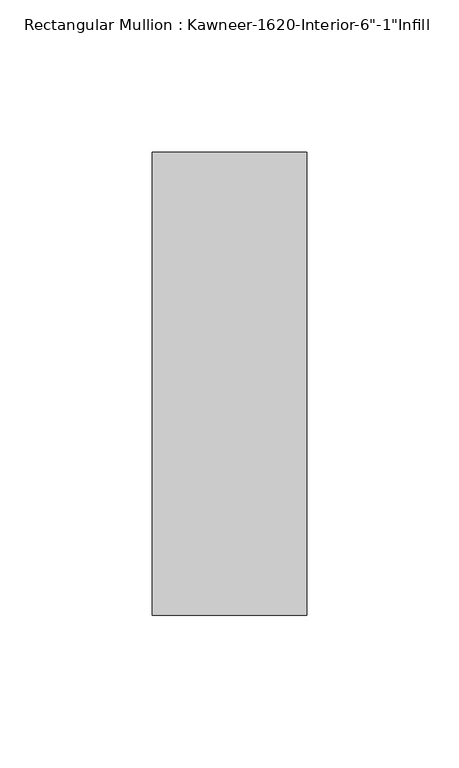
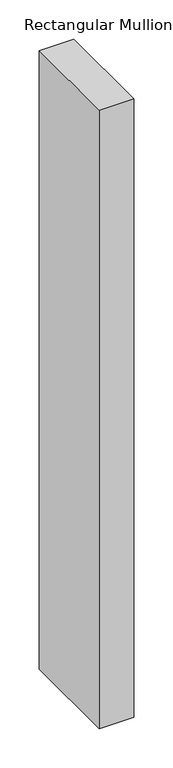
"""IFC4 building model written with IfcOpenShell, lengths in millimetres: member geometry."""

from ifc_helpers import new_model, si_unit, frame, origin, place, context, project, spatial, polyline, outline, extrude, source, transform, mapped, element, save


def member_896b0db0(model_context):
    return source(origin(), model_context, "Body", "SweptSolid", [
        extrude(outline(polyline([(25.4, -114.3), (-25.4, -114.3), (-25.4, 38.1), (25.4, 38.1), (25.4, -114.3)])), frame((0.0, 0.0, -961.1204663), z_axis=(0.0, 0.0, 1.0), x_axis=(1.0, 0.0, 0.0)), (0.0, 0.0, 1.0), 961.1204663),
    ])


if __name__ == "__main__":
    model = new_model("IFC4")
    model_context = context("Model", 3, world=origin())
    ifc_project = project(units=[si_unit("LENGTHUNIT", "METRE", prefix="MILLI")], contexts=[model_context])
    site = spatial("IfcSite", under=ifc_project)
    building = spatial("IfcBuilding", under=site)
    placement = place(None, origin())
    member_shape = member_896b0db0(model_context)
    element("IfcMember", 1, ObjectType="Rectangular Mullion : Kawneer-1620-Interior-6\"-1\"Infill", at=placement, inside=building, context=model_context, shape_type="MappedRepresentation", body=[
        mapped(member_shape, transform((0.0, 0.0, 0.0), x_axis=(1.0, 0.0, 0.0), y_axis=(0.0, 1.0, 0.0), z_axis=(0.0, 0.0, 1.0))),
    ])
    save(model, "model.ifc")
